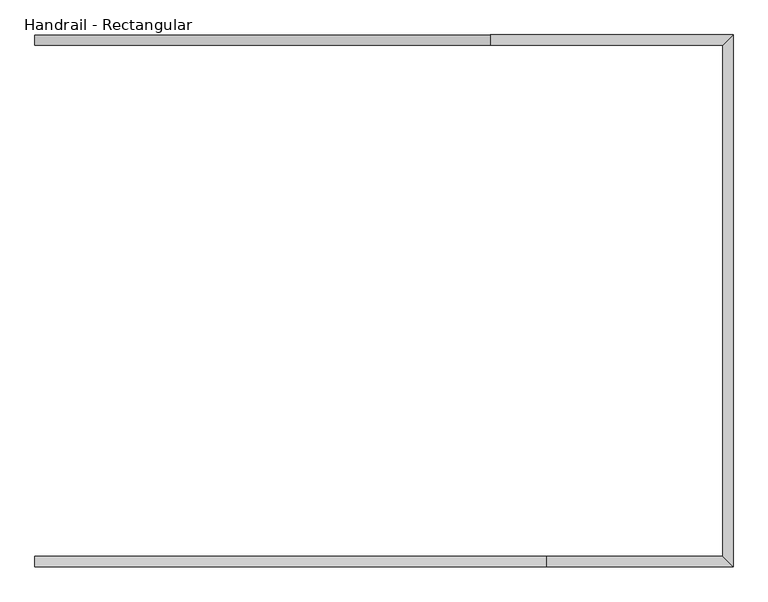
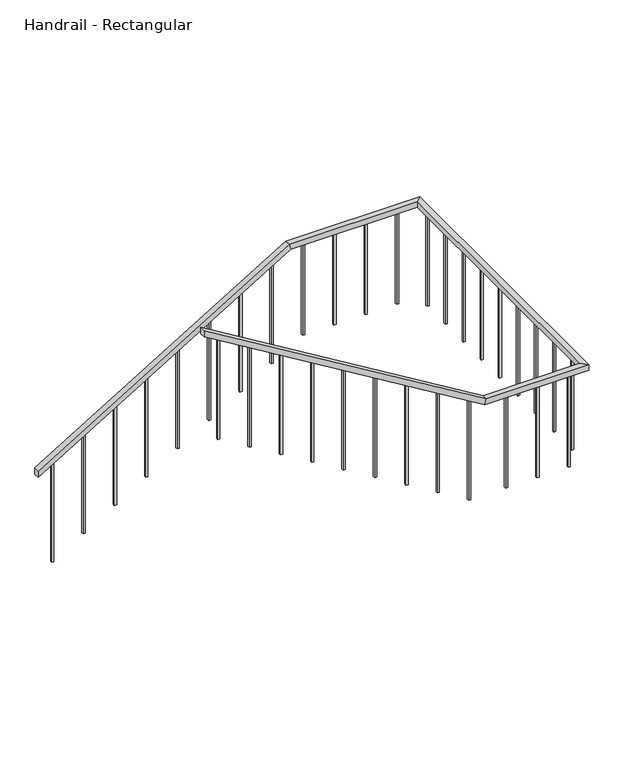
"""IFC4 building model written with IfcOpenShell, lengths in millimetres: railing geometry, Handrail - Rectangular."""

from ifc_helpers import new_model, si_unit, frame, origin, place, context, project, spatial, polyline, outline, extrude, faceted_brep, source, transform, mapped, element, save


def handrail_rectangular_5ba27399(model_context):
    return source(origin(), model_context, "Body", "SolidModel", [
        faceted_brep([(-7585.9198241, 2462.6640045, 1083.7333333), (-7585.9198241, 2513.4640045, 1083.7333333), (-7585.9198241, 2513.4640045, 1024.3318731), (-7585.9198241, 2462.6640045, 1024.3318731), (-5350.7198241, 2462.6640045, 2438.4), (-5350.7198241, 2513.4640045, 2438.4), (-5336.5274146, 2513.4640045, 2387.6), (-5336.5274146, 2462.6640045, 2387.6), (-4207.7198241, 2462.6640045, 2438.4), (-4156.9198241, 2513.4640045, 2438.4), (-4156.9198241, 2513.4640045, 2387.6), (-4207.7198241, 2462.6640045, 2387.6), (-4207.7198241, -49.1866471, 2438.4), (-4156.9198241, -99.9866471, 2438.4), (-4156.9198241, -99.9866471, 2387.6), (-4207.7198241, -49.1866471, 2387.6), (-5071.3198241, -49.1866471, 2438.4), (-5071.3198241, -99.9866471, 2438.4), (-5085.5122335, -99.9866471, 2387.6), (-5085.5122335, -49.1866471, 2387.6), (-7585.9198241, -49.1866471, 3962.4), (-7585.9198241, -49.1866471, 3902.9985397), (-7585.9198241, -99.9866471, 3902.9985397), (-7585.9198241, -99.9866471, 3962.4)], [[[0, 1, 2, 3]], [[1, 0, 4, 5]], [[2, 1, 5, 6]], [[3, 2, 6, 7]], [[0, 3, 7, 4]], [[5, 4, 8, 9]], [[6, 5, 9, 10]], [[7, 6, 10, 11]], [[4, 7, 11, 8]], [[9, 8, 12, 13]], [[10, 9, 13, 14]], [[11, 10, 14, 15]], [[8, 11, 15, 12]], [[13, 12, 16, 17]], [[14, 13, 17, 18]], [[15, 14, 18, 19]], [[12, 15, 19, 16]], [[20, 21, 22, 23]], [[17, 16, 20, 23]], [[18, 17, 23, 22]], [[19, 18, 22, 21]], [[16, 19, 21, 20]]]),
        extrude(outline(polyline([(3812.5591458, -7436.6948241), (3824.1046004, -7455.7448241), (2878.6666667, -7455.7448241), (2878.6666667, -7436.6948241), (3812.5591458, -7436.6948241)])), frame((0.0, -84.1116471, 0.0), z_axis=(0.0, 1.0, 0.0), x_axis=(0.0, 0.0, 1.0)), (0.0, 0.0, 1.0), 19.05),
        extrude(outline(polyline([(3643.2258125, -7157.2948241), (3654.771267, -7176.3448241), (2709.3333333, -7176.3448241), (2709.3333333, -7157.2948241), (3643.2258125, -7157.2948241)])), frame((0.0, -84.1116471, 0.0), z_axis=(0.0, 1.0, 0.0), x_axis=(0.0, 0.0, 1.0)), (0.0, 0.0, 1.0), 19.05),
        extrude(outline(polyline([(3473.8924791, -6877.8948241), (3485.4379337, -6896.9448241), (2540.0, -6896.9448241), (2540.0, -6877.8948241), (3473.8924791, -6877.8948241)])), frame((0.0, -84.1116471, 0.0), z_axis=(0.0, 1.0, 0.0), x_axis=(0.0, 0.0, 1.0)), (0.0, 0.0, 1.0), 19.05),
        extrude(outline(polyline([(3304.5591458, -6598.4948241), (3316.1046004, -6617.5448241), (2370.6666667, -6617.5448241), (2370.6666667, -6598.4948241), (3304.5591458, -6598.4948241)])), frame((0.0, -84.1116471, 0.0), z_axis=(0.0, 1.0, 0.0), x_axis=(0.0, 0.0, 1.0)), (0.0, 0.0, 1.0), 19.05),
        extrude(outline(polyline([(3135.2258125, -6319.0948241), (3146.771267, -6338.1448241), (2201.3333333, -6338.1448241), (2201.3333333, -6319.0948241), (3135.2258125, -6319.0948241)])), frame((0.0, -84.1116471, 0.0), z_axis=(0.0, 1.0, 0.0), x_axis=(0.0, 0.0, 1.0)), (0.0, 0.0, 1.0), 19.05),
        extrude(outline(polyline([(2965.8924791, -6039.6948241), (2977.4379337, -6058.7448241), (2032.0, -6058.7448241), (2032.0, -6039.6948241), (2965.8924791, -6039.6948241)])), frame((0.0, -84.1116471, 0.0), z_axis=(0.0, 1.0, 0.0), x_axis=(0.0, 0.0, 1.0)), (0.0, 0.0, 1.0), 19.05),
        extrude(outline(polyline([(2796.5591458, -5760.2948241), (2808.1046004, -5779.3448241), (1862.6666667, -5779.3448241), (1862.6666667, -5760.2948241), (2796.5591458, -5760.2948241)])), frame((0.0, -84.1116471, 0.0), z_axis=(0.0, 1.0, 0.0), x_axis=(0.0, 0.0, 1.0)), (0.0, 0.0, 1.0), 19.05),
        extrude(outline(polyline([(2627.2258125, -5480.8948241), (2638.771267, -5499.9448241), (1693.3333333, -5499.9448241), (1693.3333333, -5480.8948241), (2627.2258125, -5480.8948241)])), frame((0.0, -84.1116471, 0.0), z_axis=(0.0, 1.0, 0.0), x_axis=(0.0, 0.0, 1.0)), (0.0, 0.0, 1.0), 19.05),
        extrude(outline(polyline([(2457.8924791, -5201.4948241), (2469.4379337, -5220.5448241), (1524.0, -5220.5448241), (1524.0, -5201.4948241), (2457.8924791, -5201.4948241)])), frame((0.0, -84.1116471, 0.0), z_axis=(0.0, 1.0, 0.0), x_axis=(0.0, 0.0, 1.0)), (0.0, 0.0, 1.0), 19.05),
        extrude(outline(polyline([(-4871.2948241, -65.0616471), (-4871.2948241, -84.1116471), (-4890.3448241, -84.1116471), (-4890.3448241, -65.0616471), (-4871.2948241, -65.0616471)])), frame((0.0, 0.0, 1524.0), z_axis=(0.0, 0.0, 1.0), x_axis=(1.0, 0.0, 0.0)), (0.0, 0.0, 1.0), 863.6),
        extrude(outline(polyline([(-4591.8948241, -65.0616471), (-4591.8948241, -84.1116471), (-4610.9448241, -84.1116471), (-4610.9448241, -65.0616471), (-4591.8948241, -65.0616471)])), frame((0.0, 0.0, 1524.0), z_axis=(0.0, 0.0, 1.0), x_axis=(1.0, 0.0, 0.0)), (0.0, 0.0, 1.0), 863.6),
        extrude(outline(polyline([(-4312.4948241, -65.0616471), (-4312.4948241, -84.1116471), (-4331.5448241, -84.1116471), (-4331.5448241, -65.0616471), (-4312.4948241, -65.0616471)])), frame((0.0, 0.0, 1524.0), z_axis=(0.0, 0.0, 1.0), x_axis=(1.0, 0.0, 0.0)), (0.0, 0.0, 1.0), 863.6),
        extrude(outline(polyline([(-4191.8448241, 122.6890045), (-4172.7948241, 122.6890045), (-4172.7948241, 103.6390045), (-4191.8448241, 103.6390045), (-4191.8448241, 122.6890045)])), frame((0.0, 0.0, 1524.0), z_axis=(0.0, 0.0, 1.0), x_axis=(1.0, 0.0, 0.0)), (0.0, 0.0, 1.0), 863.6),
        extrude(outline(polyline([(-4191.8448241, 402.0890045), (-4172.7948241, 402.0890045), (-4172.7948241, 383.0390045), (-4191.8448241, 383.0390045), (-4191.8448241, 402.0890045)])), frame((0.0, 0.0, 1524.0), z_axis=(0.0, 0.0, 1.0), x_axis=(1.0, 0.0, 0.0)), (0.0, 0.0, 1.0), 863.6),
        extrude(outline(polyline([(-4191.8448241, 681.4890045), (-4172.7948241, 681.4890045), (-4172.7948241, 662.4390045), (-4191.8448241, 662.4390045), (-4191.8448241, 681.4890045)])), frame((0.0, 0.0, 1524.0), z_axis=(0.0, 0.0, 1.0), x_axis=(1.0, 0.0, 0.0)), (0.0, 0.0, 1.0), 863.6),
        extrude(outline(polyline([(-4191.8448241, 960.8890045), (-4172.7948241, 960.8890045), (-4172.7948241, 941.8390045), (-4191.8448241, 941.8390045), (-4191.8448241, 960.8890045)])), frame((0.0, 0.0, 1524.0), z_axis=(0.0, 0.0, 1.0), x_axis=(1.0, 0.0, 0.0)), (0.0, 0.0, 1.0), 863.6),
        extrude(outline(polyline([(-4191.8448241, 1240.2890045), (-4172.7948241, 1240.2890045), (-4172.7948241, 1221.2390045), (-4191.8448241, 1221.2390045), (-4191.8448241, 1240.2890045)])), frame((0.0, 0.0, 1524.0), z_axis=(0.0, 0.0, 1.0), x_axis=(1.0, 0.0, 0.0)), (0.0, 0.0, 1.0), 863.6),
        extrude(outline(polyline([(-4191.8448241, 1519.6890045), (-4172.7948241, 1519.6890045), (-4172.7948241, 1500.6390045), (-4191.8448241, 1500.6390045), (-4191.8448241, 1519.6890045)])), frame((0.0, 0.0, 1524.0), z_axis=(0.0, 0.0, 1.0), x_axis=(1.0, 0.0, 0.0)), (0.0, 0.0, 1.0), 863.6),
        extrude(outline(polyline([(-4191.8448241, 1799.0890045), (-4172.7948241, 1799.0890045), (-4172.7948241, 1780.0390045), (-4191.8448241, 1780.0390045), (-4191.8448241, 1799.0890045)])), frame((0.0, 0.0, 1524.0), z_axis=(0.0, 0.0, 1.0), x_axis=(1.0, 0.0, 0.0)), (0.0, 0.0, 1.0), 863.6),
        extrude(outline(polyline([(-4191.8448241, 2078.4890045), (-4172.7948241, 2078.4890045), (-4172.7948241, 2059.4390045), (-4191.8448241, 2059.4390045), (-4191.8448241, 2078.4890045)])), frame((0.0, 0.0, 1524.0), z_axis=(0.0, 0.0, 1.0), x_axis=(1.0, 0.0, 0.0)), (0.0, 0.0, 1.0), 863.6),
        extrude(outline(polyline([(-4191.8448241, 2357.8890045), (-4172.7948241, 2357.8890045), (-4172.7948241, 2338.8390045), (-4191.8448241, 2338.8390045), (-4191.8448241, 2357.8890045)])), frame((0.0, 0.0, 1524.0), z_axis=(0.0, 0.0, 1.0), x_axis=(1.0, 0.0, 0.0)), (0.0, 0.0, 1.0), 863.6),
        extrude(outline(polyline([(-4382.3448241, 2478.5390045), (-4382.3448241, 2497.5890045), (-4363.2948241, 2497.5890045), (-4363.2948241, 2478.5390045), (-4382.3448241, 2478.5390045)])), frame((0.0, 0.0, 1524.0), z_axis=(0.0, 0.0, 1.0), x_axis=(1.0, 0.0, 0.0)), (0.0, 0.0, 1.0), 863.6),
        extrude(outline(polyline([(-4661.7448241, 2478.5390045), (-4661.7448241, 2497.5890045), (-4642.6948241, 2497.5890045), (-4642.6948241, 2478.5390045), (-4661.7448241, 2478.5390045)])), frame((0.0, 0.0, 1524.0), z_axis=(0.0, 0.0, 1.0), x_axis=(1.0, 0.0, 0.0)), (0.0, 0.0, 1.0), 863.6),
        extrude(outline(polyline([(-4941.1448241, 2478.5390045), (-4941.1448241, 2497.5890045), (-4922.0948241, 2497.5890045), (-4922.0948241, 2478.5390045), (-4941.1448241, 2478.5390045)])), frame((0.0, 0.0, 1524.0), z_axis=(0.0, 0.0, 1.0), x_axis=(1.0, 0.0, 0.0)), (0.0, 0.0, 1.0), 863.6),
        extrude(outline(polyline([(-5220.5448241, 2478.5390045), (-5220.5448241, 2497.5890045), (-5201.4948241, 2497.5890045), (-5201.4948241, 2478.5390045), (-5220.5448241, 2478.5390045)])), frame((0.0, 0.0, 1524.0), z_axis=(0.0, 0.0, 1.0), x_axis=(1.0, 0.0, 0.0)), (0.0, 0.0, 1.0), 863.6),
        extrude(outline(polyline([(2300.1046004, -5480.8948241), (2288.5591458, -5499.9448241), (1354.6666667, -5499.9448241), (1354.6666667, -5480.8948241), (2300.1046004, -5480.8948241)])), frame((0.0, 2478.5390045, 0.0), z_axis=(0.0, 1.0, 0.0), x_axis=(0.0, 0.0, 1.0)), (0.0, 0.0, 1.0), 19.05),
        extrude(outline(polyline([(2130.771267, -5760.2948241), (2119.2258125, -5779.3448241), (1185.3333333, -5779.3448241), (1185.3333333, -5760.2948241), (2130.771267, -5760.2948241)])), frame((0.0, 2478.5390045, 0.0), z_axis=(0.0, 1.0, 0.0), x_axis=(0.0, 0.0, 1.0)), (0.0, 0.0, 1.0), 19.05),
        extrude(outline(polyline([(1961.4379337, -6039.6948241), (1949.8924791, -6058.7448241), (1016.0, -6058.7448241), (1016.0, -6039.6948241), (1961.4379337, -6039.6948241)])), frame((0.0, 2478.5390045, 0.0), z_axis=(0.0, 1.0, 0.0), x_axis=(0.0, 0.0, 1.0)), (0.0, 0.0, 1.0), 19.05),
        extrude(outline(polyline([(1792.1046004, -6319.0948241), (1780.5591458, -6338.1448241), (846.6666667, -6338.1448241), (846.6666667, -6319.0948241), (1792.1046004, -6319.0948241)])), frame((0.0, 2478.5390045, 0.0), z_axis=(0.0, 1.0, 0.0), x_axis=(0.0, 0.0, 1.0)), (0.0, 0.0, 1.0), 19.05),
        extrude(outline(polyline([(1622.771267, -6598.4948241), (1611.2258125, -6617.5448241), (677.3333333, -6617.5448241), (677.3333333, -6598.4948241), (1622.771267, -6598.4948241)])), frame((0.0, 2478.5390045, 0.0), z_axis=(0.0, 1.0, 0.0), x_axis=(0.0, 0.0, 1.0)), (0.0, 0.0, 1.0), 19.05),
        extrude(outline(polyline([(1453.4379337, -6877.8948241), (1441.8924791, -6896.9448241), (508.0, -6896.9448241), (508.0, -6877.8948241), (1453.4379337, -6877.8948241)])), frame((0.0, 2478.5390045, 0.0), z_axis=(0.0, 1.0, 0.0), x_axis=(0.0, 0.0, 1.0)), (0.0, 0.0, 1.0), 19.05),
        extrude(outline(polyline([(1284.1046004, -7157.2948241), (1272.5591458, -7176.3448241), (338.6666667, -7176.3448241), (338.6666667, -7157.2948241), (1284.1046004, -7157.2948241)])), frame((0.0, 2478.5390045, 0.0), z_axis=(0.0, 1.0, 0.0), x_axis=(0.0, 0.0, 1.0)), (0.0, 0.0, 1.0), 19.05),
        extrude(outline(polyline([(1114.771267, -7436.6948241), (1103.2258125, -7455.7448241), (169.3333333, -7455.7448241), (169.3333333, -7436.6948241), (1114.771267, -7436.6948241)])), frame((0.0, 2478.5390045, 0.0), z_axis=(0.0, 1.0, 0.0), x_axis=(0.0, 0.0, 1.0)), (0.0, 0.0, 1.0), 19.05),
    ])


if __name__ == "__main__":
    model = new_model("IFC4")
    model_context = context("Model", 3, world=origin())
    ifc_project = project(units=[si_unit("LENGTHUNIT", "METRE", prefix="MILLI")], contexts=[model_context])
    site = spatial("IfcSite", under=ifc_project)
    building = spatial("IfcBuilding", under=site)
    placement = place(None, origin())
    handrail_rectangular_shape = handrail_rectangular_5ba27399(model_context)
    element("IfcRailing", 1, ObjectType="Handrail - Rectangular", at=placement, inside=building, context=model_context, shape_type="MappedRepresentation", body=[
        mapped(handrail_rectangular_shape, transform((0.0, 0.0, 0.0), x_axis=(1.0, 0.0, 0.0), y_axis=(0.0, 1.0, 0.0), z_axis=(0.0, 0.0, 1.0))),
    ])
    save(model, "model.ifc")
